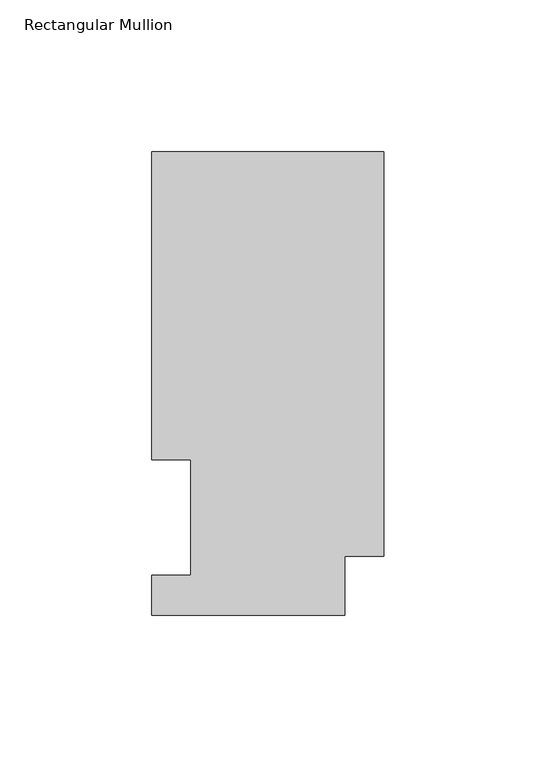
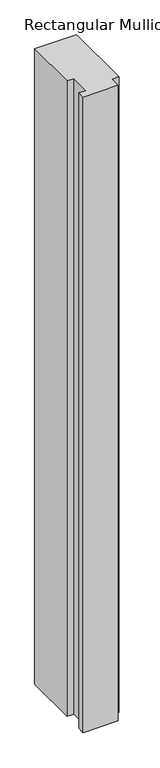
"""IFC4 building model written with IfcOpenShell, lengths in millimetres: member geometry, Rectangular Mullion."""

from ifc_helpers import new_model, si_unit, frame, origin, place, context, project, spatial, polyline, outline, extrude, source, transform, mapped, element, save


def rectangular_mullion_3aec70a2(model_context):
    return source(origin(), model_context, "Body", "SweptSolid", [
        extrude(outline(polyline([(0.0, 152.4896937), (0.0, 19.5460937), (-12.7, 19.5460937), (-12.7, 0.0134938), (-76.2, 0.0134938), (-76.2, 13.1960938), (-63.5, 13.1960938), (-63.5, 51.2960937), (-76.2, 51.2960937), (-76.2, 152.4896937), (0.0, 152.4896937)])), frame((0.0, 0.0, -1219.2), z_axis=(0.0, 0.0, 1.0), x_axis=(1.0, 0.0, 0.0)), (0.0, 0.0, 1.0), 1219.2),
    ])


if __name__ == "__main__":
    model = new_model("IFC4")
    model_context = context("Model", 3, world=origin())
    ifc_project = project(units=[si_unit("LENGTHUNIT", "METRE", prefix="MILLI")], contexts=[model_context])
    site = spatial("IfcSite", under=ifc_project)
    building = spatial("IfcBuilding", under=site)
    placement = place(None, origin())
    rectangular_mullion_shape = rectangular_mullion_3aec70a2(model_context)
    element("IfcMember", 1, ObjectType="Rectangular Mullion", at=placement, inside=building, context=model_context, shape_type="MappedRepresentation", body=[
        mapped(rectangular_mullion_shape, transform((0.0, 0.0, 0.0), x_axis=(1.0, 0.0, 0.0), y_axis=(0.0, 1.0, 0.0), z_axis=(0.0, 0.0, 1.0))),
    ])
    save(model, "model.ifc")
